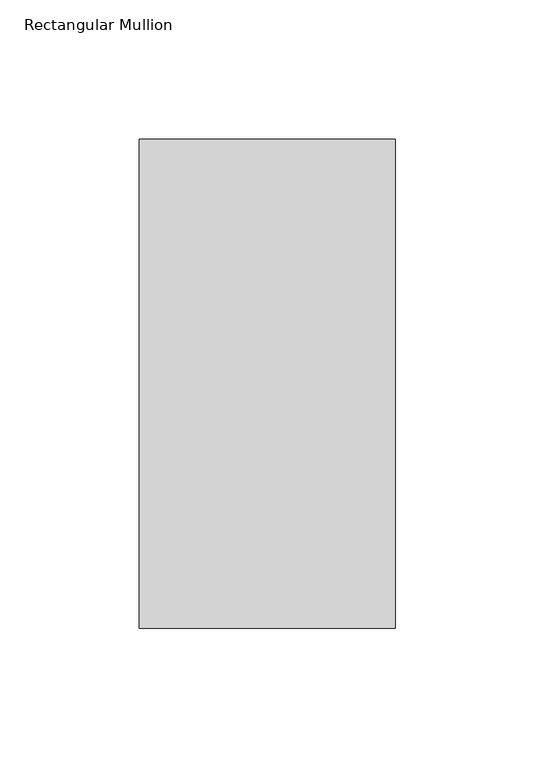
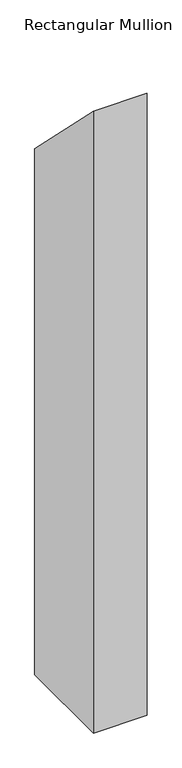
"""IFC4 building model written with IfcOpenShell, lengths in millimetres: member geometry, Rectangular Mullion."""

from ifc_helpers import new_model, si_unit, origin, place, context, project, spatial, faceted_brep, source, transform, mapped, element, save


def rectangular_mullion_069ba897(model_context):
    return source(origin(), model_context, "Body", "Brep", [
        faceted_brep([(-0.0038138, 222.5508319, -1181.4194229), (-0.0155642, 46.7574312, -1181.4194229), (-92.090564, 46.7635857, -1181.4194229), (-92.0788136, 222.5569864, -1181.4194229), (-92.0788136, 222.5569864, -222.5569864), (-0.0038138, 222.5508319, -222.5508319), (-92.090564, 46.7635857, -46.7635857), (-0.0155642, 46.7574312, -46.7574312)], [[[0, 1, 2, 3]], [[4, 5, 0, 3]], [[6, 4, 3, 2]], [[7, 6, 2, 1]], [[5, 7, 1, 0]], [[5, 4, 6, 7]]]),
    ])


if __name__ == "__main__":
    model = new_model("IFC4")
    model_context = context("Model", 3, world=origin())
    ifc_project = project(units=[si_unit("LENGTHUNIT", "METRE", prefix="MILLI")], contexts=[model_context])
    site = spatial("IfcSite", under=ifc_project)
    building = spatial("IfcBuilding", under=site)
    placement = place(None, origin())
    rectangular_mullion_shape = rectangular_mullion_069ba897(model_context)
    element("IfcMember", 1, ObjectType="Rectangular Mullion", at=placement, inside=building, context=model_context, shape_type="MappedRepresentation", body=[
        mapped(rectangular_mullion_shape, transform((0.0, 0.0, 0.0), x_axis=(1.0, 0.0, 0.0), y_axis=(0.0, 1.0, 0.0), z_axis=(0.0, 0.0, 1.0))),
    ])
    save(model, "model.ifc")
